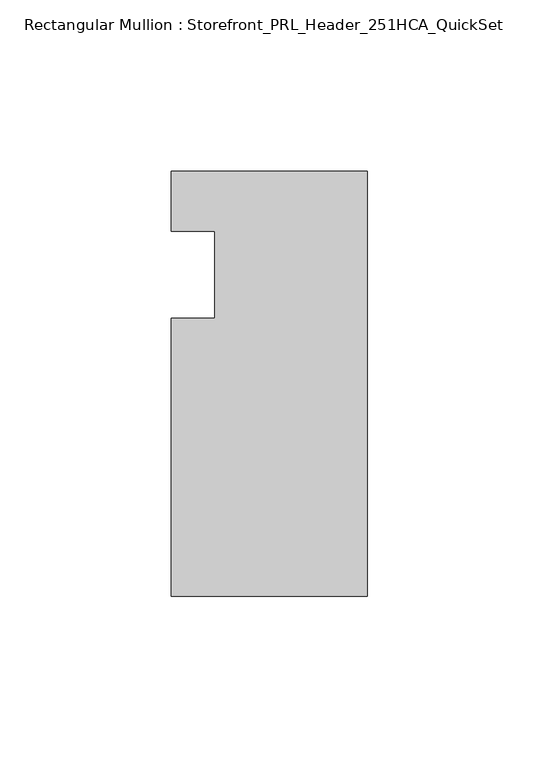
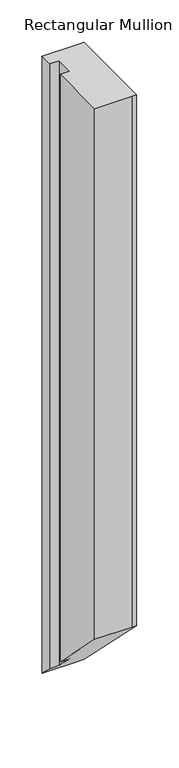
"""IFC4 building model written with IfcOpenShell, lengths in millimetres: member geometry, Rectangular Mullion : Storefront_PRL_Header_251HCA_QuickSet."""

from ifc_helpers import new_model, si_unit, origin, place, context, project, spatial, faceted_brep, source, transform, mapped, element, save


def rectangular_mullion_storefront_prl_header_251hca_quickset_77fc7a70(model_context):
    return source(origin(), model_context, "Body", "Brep", [
        faceted_brep([(-44.45, -12.7, 0.0), (-57.15, -12.7, 0.0), (-57.15, -93.6625, 0.0), (-6.35, -93.6625, 0.0), (0.0, -93.6625, 0.0), (0.0, 30.1625, 0.0), (-7.7254924, 30.1625, 0.0), (-57.15, 30.1625, 0.0), (-57.15, 12.7, 0.0), (-44.45, 12.7, 0.0), (-44.45, -12.7, -844.55), (-57.15, -12.7, -844.55), (-57.15, -93.6625, -763.5875), (-6.35, -93.6625, -763.5875), (0.0, -93.6625, -763.5875), (0.0, 30.1625, -887.4125), (-7.7254924, 30.1625, -887.4125), (-57.15, 30.1625, -887.4125), (-57.15, 12.7, -869.95), (-44.45, 12.7, -869.95)], [[[0, 1, 2, 3, 4, 5, 6, 7, 8, 9]], [[1, 0, 10, 11]], [[2, 1, 11, 12]], [[3, 2, 12, 13]], [[4, 3, 13, 14]], [[5, 4, 14, 15]], [[6, 5, 15, 16]], [[7, 6, 16, 17]], [[8, 7, 17, 18]], [[9, 8, 18, 19]], [[0, 9, 19, 10]], [[10, 19, 18, 17, 16, 15, 14, 13, 12, 11]]]),
    ])


if __name__ == "__main__":
    model = new_model("IFC4")
    model_context = context("Model", 3, world=origin())
    ifc_project = project(units=[si_unit("LENGTHUNIT", "METRE", prefix="MILLI")], contexts=[model_context])
    site = spatial("IfcSite", under=ifc_project)
    building = spatial("IfcBuilding", under=site)
    placement = place(None, origin())
    rectangular_mullion_storefront_prl_header_251hca_quickset_shape = rectangular_mullion_storefront_prl_header_251hca_quickset_77fc7a70(model_context)
    element("IfcMember", 1, ObjectType="Rectangular Mullion : Storefront_PRL_Header_251HCA_QuickSet", at=placement, inside=building, context=model_context, shape_type="MappedRepresentation", body=[
        mapped(rectangular_mullion_storefront_prl_header_251hca_quickset_shape, transform((0.0, 0.0, 0.0), x_axis=(1.0, 0.0, 0.0), y_axis=(0.0, 1.0, 0.0), z_axis=(0.0, 0.0, 1.0))),
    ])
    save(model, "model.ifc")
